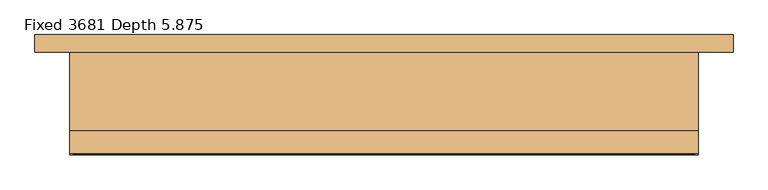
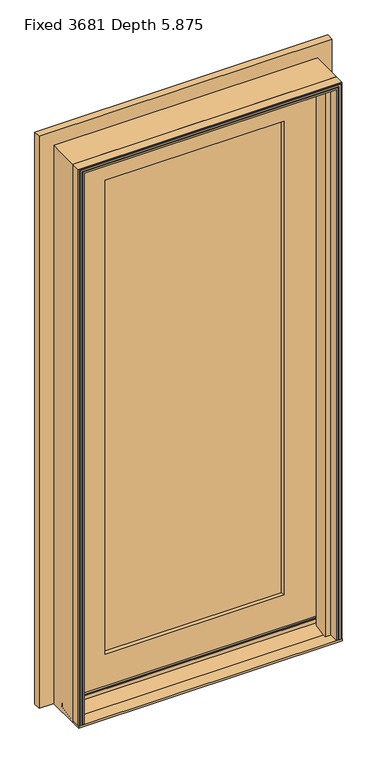
"""IFC4 building model written with IfcOpenShell, lengths in millimetres: door geometry, Fixed 3681 Depth 5.875."""

from ifc_helpers import new_model, si_unit, frame, origin, place, context, project, spatial, polyline, outline, extrude, faceted_brep, source, transform, mapped, element, save


def fixed_3681_depth_5_875_1934bb06(model_context):
    return source(origin(), model_context, "Body", "SolidModel", [
        extrude(outline(polyline([(2019.3, -431.8), (2019.3, 431.8), (0.0, 431.8), (0.0, 508.0), (2095.5, 508.0), (2095.5, -508.0), (0.0, -508.0), (0.0, -431.8), (2019.3, -431.8)])), frame((0.0, 76.2, 0.0), z_axis=(0.0, 1.0, 0.0), x_axis=(0.0, 0.0, 1.0)), (0.0, 0.0, 1.0), 25.4),
        extrude(outline(polyline([(47.6441178, -425.4529929), (47.6441178, -423.95775), (46.012121, -423.95775), (46.012121, 423.95775), (47.6441178, 423.95775), (47.6441178, 425.4529929), (2012.9529929, 425.4529929), (2012.9529929, -425.4529929), (47.6441178, -425.4529929)]), holes=[polyline([(1897.0654929, -309.5654929), (1897.0654929, 309.5654929), (161.899621, 309.5654929), (161.899621, -309.5654929), (1897.0654929, -309.5654929)])]), frame((0.0, 22.3146855, 0.0), z_axis=(0.0, 1.0, 0.0), x_axis=(0.0, 0.0, 1.0)), (0.0, 0.0, 1.0), 14.4785398),
        faceted_brep([(-428.625, 36.7932253, 46.0375002), (-428.625, 36.7932253, 2016.125), (-428.625, 74.7014, 2016.125), (-428.625, 74.7014, 46.0375002), (428.625, 36.7932253, 2016.125), (428.625, 36.7932253, 46.0375002), (428.625, 74.7014, 46.0375002), (428.625, 74.7014, 2016.125), (326.7866929, 74.7014, 144.678421), (326.7866929, 74.7014, 1914.2866929), (-326.7866929, 74.7014, 1914.2866929), (-326.7866929, 74.7014, 144.678421), (-326.7866929, 72.1106, 144.678421), (326.7866929, 72.1106, 144.678421), (326.7866929, 72.1106, 1914.2866929), (-326.7866929, 72.1106, 1914.2866929), (310.2493109, 72.1106, 161.2130995), (310.2520144, 72.1106, 1897.7520144), (-310.2520144, 72.1106, 1897.7520144), (-310.2493109, 72.1106, 161.2130995), (-309.5411351, 58.5978, 161.9212754), (309.5411351, 58.5978, 161.9212754), (-326.7866929, 58.5978, 1914.2866929), (-326.7866929, 58.5978, 144.678421), (326.7866929, 58.5978, 144.678421), (326.7866929, 58.5978, 1914.2866929), (-309.5438386, 58.5978, 1897.0438386), (309.5438386, 58.5978, 1897.0438386), (-326.7866929, 36.7932253, 144.678421), (326.7866929, 36.7932253, 144.678421), (-326.7866929, 36.7932253, 1914.2866929), (326.7866929, 36.7932253, 1914.2866929)], [[[0, 1, 2, 3]], [[4, 5, 6, 7]], [[6, 5, 0, 3]], [[2, 7, 6, 3], [8, 9, 10, 11]], [[11, 12, 13, 8]], [[14, 13, 12, 15], [16, 17, 18, 19]], [[19, 20, 21, 16]], [[22, 23, 24, 25], [20, 26, 27, 21]], [[23, 28, 29, 24]], [[0, 5, 4, 1], [28, 30, 31, 29]], [[30, 28, 23, 22]], [[12, 11, 10, 15]], [[2, 1, 4, 7]], [[30, 22, 25, 31]], [[9, 14, 15, 10]], [[24, 29, 31, 25]], [[9, 8, 13, 14]], [[26, 20, 19, 18]], [[26, 18, 17, 27]], [[17, 16, 21, 27]]]),
        extrude(outline(polyline([(0.0, -431.8), (2019.3, -431.8), (2019.3, 431.8), (0.0, 431.8), (0.0, 457.2), (2044.7, 457.2), (2044.7, -457.2), (0.0, -457.2), (0.0, -431.8)])), frame((0.0, -37.6523208, 0.0), z_axis=(0.0, 1.0, 0.0), x_axis=(0.0, 0.0, 1.0)), (0.0, 0.0, 1.0), 113.8523208),
        extrude(outline(polyline([(35.6614935, 28.5113501), (44.9396146, 37.7894711), (68.4848022, 37.7894711), (68.4848022, 27.8257), (76.2, 27.8257), (76.2, 0.0), (35.6614935, 0.0), (35.6614935, 28.5113501)])), frame((-431.8, 0.0, 0.0), z_axis=(1.0, 0.0, 0.0), x_axis=(0.0, 1.0, 0.0)), (0.0, 0.0, 1.0), 863.6),
        faceted_brep([(-447.3911216, -73.025, 7.6200113), (-452.1962, -73.025, 7.6200113), (-452.1962, -63.4492, 7.6200113), (-454.914, -63.4492, 7.6200113), (-454.914, -71.6160191, 7.6200113), (-457.2, -71.6160191, 7.6200113), (-457.2, -37.6523208, 7.6200113), (-431.8, -37.6523208, 7.6200113), (-431.8, 15.3800432, 7.6200113), (-417.8838551, 15.3800432, 7.6200113), (-417.8838551, -38.9313201, 7.6200113), (-437.1299868, -38.9313201, 7.6200113), (-437.1299868, -71.6070745, 7.6200113), (-442.9311814, -71.6070745, 7.6200113), (-457.2, -71.6160191, 2044.7), (-457.2, -37.6523208, 2044.7), (-454.914, -71.6160191, 2042.414), (454.914, -71.6160191, 2042.414), (454.914, -71.6160191, 7.6200113), (457.2, -71.6160191, 7.6200113), (457.2, -71.6160191, 2044.7), (-454.914, -63.4492, 2042.414), (-452.1962, -63.4492, 2039.6962), (452.1962, -63.4492, 2039.6962), (452.1962, -63.4492, 7.6200113), (454.914, -63.4492, 7.6200113), (454.914, -63.4492, 2042.414), (-452.1962, -73.025, 2039.6962), (-447.3911216, -73.025, 2034.8911216), (447.3911216, -73.025, 2034.8911216), (447.3911216, -73.025, 7.6200113), (452.1962, -73.025, 7.6200113), (452.1962, -73.025, 2039.6962), (457.2, -37.6523208, 2044.7), (442.9311814, -71.6070745, 7.6200113), (437.1299868, -71.6070745, 7.6200113), (437.1299868, -38.9313201, 7.6200113), (417.8838551, -38.9313201, 7.6200113), (417.8838551, 15.3800432, 7.6200113), (431.8, 15.3800432, 7.6200113), (431.8, -37.6523208, 7.6200113), (457.2, -37.6523208, 7.6200113), (-442.9311814, -71.6070745, 2030.4311814), (-437.1299868, -71.6070745, 2024.6299868), (437.1299868, -71.6070745, 2024.6299868), (442.9311814, -71.6070745, 2030.4311814), (-437.1299868, -38.9313201, 2024.6299868), (-417.8838551, -38.9313201, 2005.3838551), (417.8838551, -38.9313201, 2005.3838551), (437.1299868, -38.9313201, 2024.6299868), (-417.8838551, 15.3800432, 2005.3838551), (-431.8, 15.3800432, 2019.3), (431.8, 15.3800432, 2019.3), (417.8838551, 15.3800432, 2005.3838551), (-431.8, -37.6523208, 2019.3), (431.8, -37.6523208, 2019.3)], [[[0, 1, 2, 3, 4, 5, 6, 7, 8, 9, 10, 11, 12, 13]], [[5, 14, 15, 6]], [[4, 16, 17, 18, 19, 20, 14, 5]], [[3, 21, 16, 4]], [[2, 22, 23, 24, 25, 26, 21, 3]], [[1, 27, 22, 2]], [[0, 28, 29, 30, 31, 32, 27, 1]], [[14, 20, 33, 15]], [[21, 26, 17, 16]], [[27, 32, 23, 22]], [[30, 34, 35, 36, 37, 38, 39, 40, 41, 19, 18, 25, 24, 31]], [[20, 19, 41, 33]], [[26, 25, 18, 17]], [[32, 31, 24, 23]], [[13, 42, 28, 0]], [[12, 43, 44, 35, 34, 45, 42, 13]], [[11, 46, 43, 12]], [[10, 47, 48, 37, 36, 49, 46, 11]], [[9, 50, 47, 10]], [[8, 51, 52, 39, 38, 53, 50, 9]], [[7, 54, 51, 8]], [[6, 15, 33, 41, 40, 55, 54, 7]], [[42, 45, 29, 28]], [[46, 49, 44, 43]], [[50, 53, 48, 47]], [[54, 55, 52, 51]], [[45, 34, 30, 29]], [[49, 36, 35, 44]], [[53, 38, 37, 48]], [[55, 40, 39, 52]]]),
        extrude(outline(polyline([(-73.025, 7.6200113), (-27.7791132, 7.6200113), (24.1850051, 19.015844), (24.1850051, 33.183311), (25.9630051, 33.183311), (25.9630051, 19.4057628), (35.6614935, 21.5326603), (35.6614935, 0.0), (-73.025, 0.0), (-73.025, 7.6200113)])), frame((-457.2, 0.0, 0.0), z_axis=(1.0, 0.0, 0.0), x_axis=(0.0, 1.0, 0.0)), (0.0, 0.0, 1.0), 914.4),
        extrude(outline(polyline([(322.2781929, 58.054073), (322.2781929, 37.6150105), (-322.2781929, 37.6150105), (-322.2781929, 58.054073), (322.2781929, 58.054073)])), frame((0.0, 0.0, 149.225), z_axis=(0.0, 0.0, 1.0), x_axis=(1.0, 0.0, 0.0)), (0.0, 0.0, 1.0), 1760.5531929),
    ])


if __name__ == "__main__":
    model = new_model("IFC4")
    model_context = context("Model", 3, world=origin())
    ifc_project = project(units=[si_unit("LENGTHUNIT", "METRE", prefix="MILLI")], contexts=[model_context])
    site = spatial("IfcSite", under=ifc_project)
    building = spatial("IfcBuilding", under=site)
    placement = place(None, origin())
    fixed_3681_depth_5_875_shape = fixed_3681_depth_5_875_1934bb06(model_context)
    element("IfcDoor", 1, ObjectType="Fixed 3681 Depth 5.875", at=placement, inside=building, context=model_context, shape_type="MappedRepresentation", body=[
        mapped(fixed_3681_depth_5_875_shape, transform((0.0, 0.0, 0.0), x_axis=(1.0, 0.0, 0.0), y_axis=(0.0, 1.0, 0.0), z_axis=(0.0, 0.0, 1.0))),
    ])
    save(model, "model.ifc")
